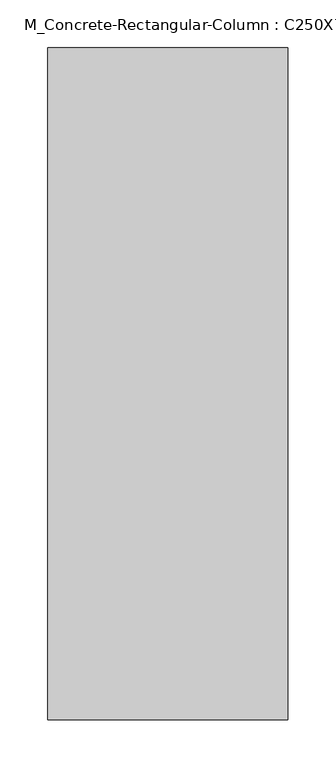
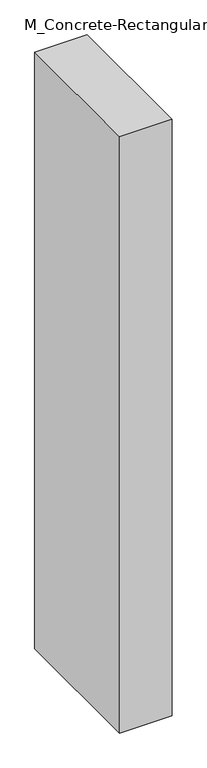
"""IFC4 building model written with IfcOpenShell, lengths in millimetres: column geometry, M_Concrete-Rectangular-Column : C250X700."""

from ifc_helpers import new_model, si_unit, origin, origin_with_axes, place, context, project, spatial, polyline, outline, extrude, source, transform, mapped, element, save


def m_concrete_rectangular_column_c250x700_5f3d3ebb(model_context):
    return source(origin(), model_context, "Body", "SweptSolid", [
        extrude(outline(polyline([(125.0, 350.0), (125.0, -350.0), (-125.0, -350.0), (-125.0, 350.0), (125.0, 350.0)])), origin_with_axes(), (0.0, 0.0, 1.0), 3000.0),
    ])


if __name__ == "__main__":
    model = new_model("IFC4")
    model_context = context("Model", 3, world=origin())
    ifc_project = project(units=[si_unit("LENGTHUNIT", "METRE", prefix="MILLI")], contexts=[model_context])
    site = spatial("IfcSite", under=ifc_project)
    building = spatial("IfcBuilding", under=site)
    placement = place(None, origin())
    m_concrete_rectangular_column_c250x700_shape = m_concrete_rectangular_column_c250x700_5f3d3ebb(model_context)
    element("IfcColumn", 1, ObjectType="M_Concrete-Rectangular-Column : C250X700", at=placement, inside=building, context=model_context, shape_type="MappedRepresentation", body=[
        mapped(m_concrete_rectangular_column_c250x700_shape, transform((0.0, 0.0, 0.0), x_axis=(1.0, 0.0, 0.0), y_axis=(0.0, 1.0, 0.0), z_axis=(0.0, 0.0, 1.0))),
    ])
    save(model, "model.ifc")
